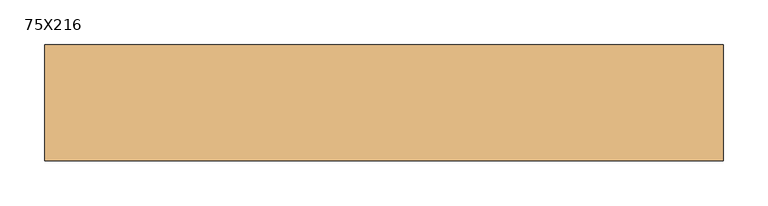
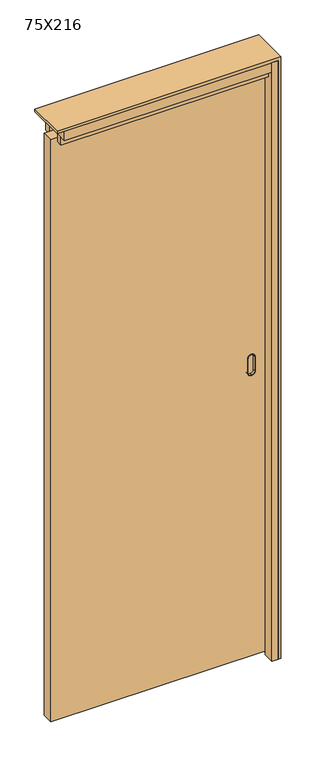
"""IFC4 building model written with IfcOpenShell, lengths in millimetres: door geometry, 75X216."""

from ifc_helpers import new_model, si_unit, point, frame, frame_2d, origin, origin_with_axes, place, context, project, spatial, polyline, circle_curve, trimmed, segment, composite_curve, outline, extrude, source, transform, mapped, element, save
from ifc_brep_helpers import plane_surface, cylinder_surface, revolved_surface, advanced_brep


def door_75x216_91143491(model_context):
    return source(origin(), model_context, "Body", "SolidModel", [
        advanced_brep(
        [(309.5, -12.0, 1090.5), (310.5, -12.0, 1090.5), (321.5, -12.0, 1079.5), (321.5, -12.0, 1028.5), (310.5, -12.0, 1017.5), (309.5, -12.0, 1017.5), (298.5, -12.0, 1028.5), (298.5, -12.0, 1079.5), (309.5, -22.0, 1016.5), (310.5, -22.0, 1016.5), (322.5, -22.0, 1028.5), (322.5, -22.0, 1079.5), (310.5, -22.0, 1091.5), (309.5, -22.0, 1091.5), (297.5, -22.0, 1079.5), (297.5, -22.0, 1028.5), (309.5, -22.0, 1089.5), (310.5, -22.0, 1089.5), (320.5, -22.0, 1079.5), (320.5, -22.0, 1028.5), (310.5, -22.0, 1018.5), (309.5, -22.0, 1018.5), (299.5, -22.0, 1028.5), (299.5, -22.0, 1079.5), (298.5, -20.0, 1079.5), (309.5, -20.0, 1090.5), (298.5, -20.0, 1028.5), (309.5, -20.0, 1017.5), (310.5, -20.0, 1017.5), (321.5, -20.0, 1028.5), (321.5, -20.0, 1079.5), (310.5, -20.0, 1090.5), (309.5, -20.0, 1016.5), (297.5, -20.0, 1028.5), (297.5, -20.0, 1079.5), (309.5, -20.0, 1091.5), (310.5, -20.0, 1091.5), (322.5, -20.0, 1079.5), (322.5, -20.0, 1028.5), (310.5, -20.0, 1016.5), (309.5, -13.0, 1089.5), (299.5, -13.0, 1079.5), (299.5, -13.0, 1028.5), (309.5, -13.0, 1018.5), (310.5, -13.0, 1018.5), (320.5, -13.0, 1028.5), (320.5, -13.0, 1079.5), (310.5, -13.0, 1089.5)],
        [
            (0, 1),
            (1, 2, circle_curve(frame((310.5, -12.0, 1079.5), z_axis=(0.0, 1.0, 0.0), x_axis=(-1.0, 0.0, 0.0)), 11.0)),
            (2, 3),
            (3, 4, circle_curve(frame((310.5, -12.0, 1028.5), z_axis=(0.0, 1.0, 0.0), x_axis=(-1.0, 0.0, 0.0)), 11.0)),
            (4, 5),
            (5, 6, circle_curve(frame((309.5, -12.0, 1028.5), z_axis=(0.0, 1.0, 0.0), x_axis=(-1.0, 0.0, 0.0)), 11.0)),
            (6, 7),
            (7, 0, circle_curve(frame((309.5, -12.0, 1079.5), z_axis=(0.0, 1.0, 0.0), x_axis=(-1.0, 0.0, 0.0)), 11.0)),
            (8, 9),
            (9, 10, circle_curve(frame((310.5, -22.0, 1028.5), z_axis=(0.0, -1.0, 0.0), x_axis=(-1.0, 0.0, 0.0)), 12.0)),
            (10, 11),
            (11, 12, circle_curve(frame((310.5, -22.0, 1079.5), z_axis=(0.0, -1.0, 0.0), x_axis=(-1.0, 0.0, 0.0)), 12.0)),
            (12, 13),
            (13, 14, circle_curve(frame((309.5, -22.0, 1079.5), z_axis=(0.0, -1.0, 0.0), x_axis=(-1.0, 0.0, 0.0)), 12.0)),
            (14, 15),
            (15, 8, circle_curve(frame((309.5, -22.0, 1028.5), z_axis=(0.0, -1.0, 0.0), x_axis=(-1.0, 0.0, 0.0)), 12.0)),
            (16, 17),
            (17, 18, circle_curve(frame((310.5, -22.0, 1079.5), z_axis=(0.0, 1.0, 0.0), x_axis=(-1.0, 0.0, 0.0)), 10.0)),
            (18, 19),
            (19, 20, circle_curve(frame((310.5, -22.0, 1028.5), z_axis=(0.0, 1.0, 0.0), x_axis=(-1.0, 0.0, 0.0)), 10.0)),
            (20, 21),
            (21, 22, circle_curve(frame((309.5, -22.0, 1028.5), z_axis=(0.0, 1.0, 0.0), x_axis=(-1.0, 0.0, 0.0)), 10.0)),
            (22, 23),
            (23, 16, circle_curve(frame((309.5, -22.0, 1079.5), z_axis=(0.0, 1.0, 0.0), x_axis=(-1.0, 0.0, 0.0)), 10.0)),
            (7, 24),
            (24, 25, circle_curve(frame((309.5, -20.0, 1079.5), z_axis=(0.0, 1.0, 0.0), x_axis=(-1.0, 0.0, 0.0)), 11.0)),
            (25, 0),
            (6, 26),
            (26, 24),
            (5, 27),
            (27, 26, circle_curve(frame((309.5, -20.0, 1028.5), z_axis=(0.0, 1.0, 0.0), x_axis=(-1.0, 0.0, 0.0)), 11.0)),
            (4, 28),
            (28, 27),
            (3, 29),
            (29, 28, circle_curve(frame((310.5, -20.0, 1028.5), z_axis=(0.0, 1.0, 0.0), x_axis=(-1.0, 0.0, 0.0)), 11.0)),
            (2, 30),
            (30, 29),
            (1, 31),
            (31, 30, circle_curve(frame((310.5, -20.0, 1079.5), z_axis=(0.0, 1.0, 0.0), x_axis=(-1.0, 0.0, 0.0)), 11.0)),
            (25, 31),
            (32, 33, circle_curve(frame((309.5, -20.0, 1028.5), z_axis=(0.0, 1.0, 0.0), x_axis=(-1.0, 0.0, 0.0)), 12.0)),
            (33, 34),
            (34, 35, circle_curve(frame((309.5, -20.0, 1079.5), z_axis=(0.0, 1.0, 0.0), x_axis=(-1.0, 0.0, 0.0)), 12.0)),
            (35, 36),
            (36, 37, circle_curve(frame((310.5, -20.0, 1079.5), z_axis=(0.0, 1.0, 0.0), x_axis=(-1.0, 0.0, 0.0)), 12.0)),
            (37, 38),
            (38, 39, circle_curve(frame((310.5, -20.0, 1028.5), z_axis=(0.0, 1.0, 0.0), x_axis=(-1.0, 0.0, 0.0)), 12.0)),
            (39, 32),
            (39, 9),
            (8, 32),
            (38, 10),
            (37, 11),
            (36, 12),
            (35, 13),
            (34, 14),
            (33, 15),
            (40, 41, circle_curve(frame((309.5, -13.0, 1079.5), z_axis=(0.0, -1.0, 0.0), x_axis=(-1.0, 0.0, 0.0)), 10.0)),
            (41, 42),
            (42, 43, circle_curve(frame((309.5, -13.0, 1028.5), z_axis=(0.0, -1.0, 0.0), x_axis=(-1.0, 0.0, 0.0)), 10.0)),
            (43, 44),
            (44, 45, circle_curve(frame((310.5, -13.0, 1028.5), z_axis=(0.0, -1.0, 0.0), x_axis=(-1.0, 0.0, 0.0)), 10.0)),
            (45, 46),
            (46, 47, circle_curve(frame((310.5, -13.0, 1079.5), z_axis=(0.0, -1.0, 0.0), x_axis=(-1.0, 0.0, 0.0)), 10.0)),
            (47, 40),
            (40, 16),
            (23, 41),
            (22, 42),
            (21, 43),
            (20, 44),
            (19, 45),
            (18, 46),
            (17, 47),
        ],
        [
            plane_surface(frame((298.5, -12.0, 1079.5), z_axis=(0.0, 1.0, 0.0), x_axis=(0.0, 0.0, -1.0))),
            plane_surface(frame((298.5, -22.0, 1079.5), z_axis=(0.0, -1.0, 0.0), x_axis=(0.0, 0.0, 1.0))),
            cylinder_surface(frame((309.5, -22.0, 1079.5), z_axis=(0.0, 1.0, 0.0), x_axis=(-1.0, 0.0, 0.0)), 11.0),
            plane_surface(frame((298.5, -12.0, 1079.5), z_axis=(-1.0, 0.0, 0.0), x_axis=(0.0, -1.0, 0.0))),
            cylinder_surface(frame((309.5, -22.0, 1028.5), z_axis=(0.0, 1.0, 0.0), x_axis=(-1.0, 0.0, 0.0)), 11.0),
            plane_surface(frame((309.5, -12.0, 1017.5), z_axis=(0.0, 0.0, -1.0), x_axis=(0.0, -1.0, 0.0))),
            cylinder_surface(frame((310.5, -22.0, 1028.5), z_axis=(0.0, 1.0, 0.0), x_axis=(-1.0, 0.0, 0.0)), 11.0),
            plane_surface(frame((321.5, -12.0, 1028.5), z_axis=(1.0, 0.0, 0.0), x_axis=(0.0, -1.0, 0.0))),
            cylinder_surface(frame((310.5, -22.0, 1079.5), z_axis=(0.0, 1.0, 0.0), x_axis=(-1.0, 0.0, 0.0)), 11.0),
            plane_surface(frame((310.5, -12.0, 1090.5), z_axis=(0.0, 0.0, 1.0), x_axis=(0.0, -1.0, 0.0))),
            plane_surface(frame((322.5, -20.0, 1016.5), z_axis=(0.0, 1.0, 0.0), x_axis=(1.0, 0.0, 0.0))),
            plane_surface(frame((309.5, -20.0, 1016.5), z_axis=(0.0, 0.0, -1.0), x_axis=(0.0, -1.0, 0.0))),
            cylinder_surface(frame((310.5, -22.0, 1028.5), z_axis=(0.0, 1.0, 0.0), x_axis=(-1.0, 0.0, 0.0)), 12.0),
            plane_surface(frame((322.5, -20.0, 1028.5), z_axis=(1.0, 0.0, 0.0), x_axis=(0.0, -1.0, 0.0))),
            cylinder_surface(frame((310.5, -22.0, 1079.5), z_axis=(0.0, 1.0, 0.0), x_axis=(-1.0, 0.0, 0.0)), 12.0),
            plane_surface(frame((310.5, -20.0, 1091.5), z_axis=(0.0, 0.0, 1.0), x_axis=(0.0, -1.0, 0.0))),
            cylinder_surface(frame((309.5, -22.0, 1079.5), z_axis=(0.0, 1.0, 0.0), x_axis=(-1.0, 0.0, 0.0)), 12.0),
            plane_surface(frame((297.5, -20.0, 1079.5), z_axis=(-1.0, 0.0, 0.0), x_axis=(0.0, -1.0, 0.0))),
            cylinder_surface(frame((309.5, -22.0, 1028.5), z_axis=(0.0, 1.0, 0.0), x_axis=(-1.0, 0.0, 0.0)), 12.0),
            plane_surface(frame((299.5, -13.0, 1079.5), z_axis=(0.0, -1.0, 0.0), x_axis=(0.0, 0.0, -1.0))),
            revolved_surface(polyline([(299.5, -13.0, 1079.5), (299.5, -22.0, 1079.5)]), (309.5, -22.0, 1079.5), (0.0, 1.0, 0.0)),
            plane_surface(frame((299.5, -13.0, 1079.5), z_axis=(1.0, 0.0, 0.0), x_axis=(0.0, -1.0, 0.0))),
            revolved_surface(polyline([(299.5, -13.0, 1028.5), (299.5, -22.0, 1028.5)]), (309.5, -22.0, 1028.5), (0.0, 1.0, 0.0)),
            plane_surface(frame((309.5, -13.0, 1018.5), z_axis=(0.0, 0.0, 1.0), x_axis=(0.0, -1.0, 0.0))),
            revolved_surface(polyline([(300.5, -13.0, 1028.5), (300.5, -22.0, 1028.5)]), (310.5, -22.0, 1028.5), (0.0, 1.0, 0.0)),
            plane_surface(frame((320.5, -13.0, 1028.5), z_axis=(-1.0, 0.0, 0.0), x_axis=(0.0, -1.0, 0.0))),
            revolved_surface(polyline([(300.5, -13.0, 1079.5), (300.5, -22.0, 1079.5)]), (310.5, -22.0, 1079.5), (0.0, 1.0, 0.0)),
            plane_surface(frame((310.5, -13.0, 1089.5), z_axis=(0.0, 0.0, -1.0), x_axis=(0.0, -1.0, 0.0))),
        ],
        [
            (0, [[1, 2, 3, 4, 5, 6, 7, 8]]),
            (1, [[9, 10, 11, 12, 13, 14, 15, 16], [17, 18, 19, 20, 21, 22, 23, 24]]),
            (2, [[25, 26, 27, -8]]),
            (3, [[28, 29, -25, -7]]),
            (4, [[30, 31, -28, -6]]),
            (5, [[32, 33, -30, -5]]),
            (6, [[34, 35, -32, -4]]),
            (7, [[36, 37, -34, -3]]),
            (8, [[38, 39, -36, -2]]),
            (9, [[-27, 40, -38, -1]]),
            (10, [[41, 42, 43, 44, 45, 46, 47, 48], [-29, -31, -33, -35, -37, -39, -40, -26]]),
            (11, [[49, -9, 50, -48]]),
            (12, [[51, -10, -49, -47]]),
            (13, [[52, -11, -51, -46]]),
            (14, [[53, -12, -52, -45]]),
            (15, [[54, -13, -53, -44]]),
            (16, [[55, -14, -54, -43]]),
            (17, [[56, -15, -55, -42]]),
            (18, [[-50, -16, -56, -41]]),
            (19, [[57, 58, 59, 60, 61, 62, 63, 64]]),
            (20, [[65, -24, 66, -57]]),
            (21, [[-66, -23, 67, -58]]),
            (22, [[-67, -22, 68, -59]]),
            (23, [[-68, -21, 69, -60]]),
            (24, [[-69, -20, 70, -61]]),
            (25, [[-70, -19, 71, -62]]),
            (26, [[-71, -18, 72, -63]]),
            (27, [[-72, -17, -65, -64]]),
        ],
    ),
        advanced_brep(
        [(309.5, 12.0, 1090.5), (298.5, 12.0, 1079.5), (298.5, 12.0, 1028.5), (309.5, 12.0, 1017.5), (310.5, 12.0, 1017.5), (321.5, 12.0, 1028.5), (321.5, 12.0, 1079.5), (310.5, 12.0, 1090.5), (309.5, 22.0, 1016.5), (297.5, 22.0, 1028.5), (297.5, 22.0, 1079.5), (309.5, 22.0, 1091.5), (310.5, 22.0, 1091.5), (322.5, 22.0, 1079.5), (322.5, 22.0, 1028.5), (310.5, 22.0, 1016.5), (309.5, 22.0, 1089.5), (299.5, 22.0, 1079.5), (299.5, 22.0, 1028.5), (309.5, 22.0, 1018.5), (310.5, 22.0, 1018.5), (320.5, 22.0, 1028.5), (320.5, 22.0, 1079.5), (310.5, 22.0, 1089.5), (309.5, 20.0, 1090.5), (298.5, 20.0, 1079.5), (298.5, 20.0, 1028.5), (309.5, 20.0, 1017.5), (310.5, 20.0, 1017.5), (321.5, 20.0, 1028.5), (321.5, 20.0, 1079.5), (310.5, 20.0, 1090.5), (309.5, 20.0, 1016.5), (310.5, 20.0, 1016.5), (322.5, 20.0, 1028.5), (322.5, 20.0, 1079.5), (310.5, 20.0, 1091.5), (309.5, 20.0, 1091.5), (297.5, 20.0, 1079.5), (297.5, 20.0, 1028.5), (309.5, 13.0, 1089.5), (310.5, 13.0, 1089.5), (320.5, 13.0, 1079.5), (320.5, 13.0, 1028.5), (310.5, 13.0, 1018.5), (309.5, 13.0, 1018.5), (299.5, 13.0, 1028.5), (299.5, 13.0, 1079.5)],
        [
            (0, 1, circle_curve(frame((309.5, 12.0, 1079.5), z_axis=(0.0, -1.0, 0.0), x_axis=(-1.0, 0.0, 0.0)), 11.0)),
            (1, 2),
            (2, 3, circle_curve(frame((309.5, 12.0, 1028.5), z_axis=(0.0, -1.0, 0.0), x_axis=(-1.0, 0.0, 0.0)), 11.0)),
            (3, 4),
            (4, 5, circle_curve(frame((310.5, 12.0, 1028.5), z_axis=(0.0, -1.0, 0.0), x_axis=(-1.0, 0.0, 0.0)), 11.0)),
            (5, 6),
            (6, 7, circle_curve(frame((310.5, 12.0, 1079.5), z_axis=(0.0, -1.0, 0.0), x_axis=(-1.0, 0.0, 0.0)), 11.0)),
            (7, 0),
            (8, 9, circle_curve(frame((309.5, 22.0, 1028.5), z_axis=(0.0, 1.0, 0.0), x_axis=(-1.0, 0.0, 0.0)), 12.0)),
            (9, 10),
            (10, 11, circle_curve(frame((309.5, 22.0, 1079.5), z_axis=(0.0, 1.0, 0.0), x_axis=(-1.0, 0.0, 0.0)), 12.0)),
            (11, 12),
            (12, 13, circle_curve(frame((310.5, 22.0, 1079.5), z_axis=(0.0, 1.0, 0.0), x_axis=(-1.0, 0.0, 0.0)), 12.0)),
            (13, 14),
            (14, 15, circle_curve(frame((310.5, 22.0, 1028.5), z_axis=(0.0, 1.0, 0.0), x_axis=(-1.0, 0.0, 0.0)), 12.0)),
            (15, 8),
            (16, 17, circle_curve(frame((309.5, 22.0, 1079.5), z_axis=(0.0, -1.0, 0.0), x_axis=(-1.0, 0.0, 0.0)), 10.0)),
            (17, 18),
            (18, 19, circle_curve(frame((309.5, 22.0, 1028.5), z_axis=(0.0, -1.0, 0.0), x_axis=(-1.0, 0.0, 0.0)), 10.0)),
            (19, 20),
            (20, 21, circle_curve(frame((310.5, 22.0, 1028.5), z_axis=(0.0, -1.0, 0.0), x_axis=(-1.0, 0.0, 0.0)), 10.0)),
            (21, 22),
            (22, 23, circle_curve(frame((310.5, 22.0, 1079.5), z_axis=(0.0, -1.0, 0.0), x_axis=(-1.0, 0.0, 0.0)), 10.0)),
            (23, 16),
            (0, 24),
            (24, 25, circle_curve(frame((309.5, 20.0, 1079.5), z_axis=(0.0, -1.0, 0.0), x_axis=(-1.0, 0.0, 0.0)), 11.0)),
            (25, 1),
            (25, 26),
            (26, 2),
            (26, 27, circle_curve(frame((309.5, 20.0, 1028.5), z_axis=(0.0, -1.0, 0.0), x_axis=(-1.0, 0.0, 0.0)), 11.0)),
            (27, 3),
            (27, 28),
            (28, 4),
            (28, 29, circle_curve(frame((310.5, 20.0, 1028.5), z_axis=(0.0, -1.0, 0.0), x_axis=(-1.0, 0.0, 0.0)), 11.0)),
            (29, 5),
            (29, 30),
            (30, 6),
            (30, 31, circle_curve(frame((310.5, 20.0, 1079.5), z_axis=(0.0, -1.0, 0.0), x_axis=(-1.0, 0.0, 0.0)), 11.0)),
            (31, 7),
            (31, 24),
            (32, 33),
            (33, 34, circle_curve(frame((310.5, 20.0, 1028.5), z_axis=(0.0, -1.0, 0.0), x_axis=(-1.0, 0.0, 0.0)), 12.0)),
            (34, 35),
            (35, 36, circle_curve(frame((310.5, 20.0, 1079.5), z_axis=(0.0, -1.0, 0.0), x_axis=(-1.0, 0.0, 0.0)), 12.0)),
            (36, 37),
            (37, 38, circle_curve(frame((309.5, 20.0, 1079.5), z_axis=(0.0, -1.0, 0.0), x_axis=(-1.0, 0.0, 0.0)), 12.0)),
            (38, 39),
            (39, 32, circle_curve(frame((309.5, 20.0, 1028.5), z_axis=(0.0, -1.0, 0.0), x_axis=(-1.0, 0.0, 0.0)), 12.0)),
            (32, 8),
            (15, 33),
            (14, 34),
            (13, 35),
            (12, 36),
            (11, 37),
            (10, 38),
            (9, 39),
            (40, 41),
            (41, 42, circle_curve(frame((310.5, 13.0, 1079.5), z_axis=(0.0, 1.0, 0.0), x_axis=(-1.0, 0.0, 0.0)), 10.0)),
            (42, 43),
            (43, 44, circle_curve(frame((310.5, 13.0, 1028.5), z_axis=(0.0, 1.0, 0.0), x_axis=(-1.0, 0.0, 0.0)), 10.0)),
            (44, 45),
            (45, 46, circle_curve(frame((309.5, 13.0, 1028.5), z_axis=(0.0, 1.0, 0.0), x_axis=(-1.0, 0.0, 0.0)), 10.0)),
            (46, 47),
            (47, 40, circle_curve(frame((309.5, 13.0, 1079.5), z_axis=(0.0, 1.0, 0.0), x_axis=(-1.0, 0.0, 0.0)), 10.0)),
            (47, 17),
            (16, 40),
            (46, 18),
            (45, 19),
            (44, 20),
            (43, 21),
            (42, 22),
            (41, 23),
        ],
        [
            plane_surface(frame((298.5, 12.0, 1079.5), z_axis=(0.0, -1.0, 0.0), x_axis=(0.0, 0.0, -1.0))),
            plane_surface(frame((298.5, 22.0, 1079.5), z_axis=(0.0, 1.0, 0.0), x_axis=(0.0, 0.0, 1.0))),
            cylinder_surface(frame((309.5, 22.0, 1079.5), z_axis=(0.0, -1.0, 0.0), x_axis=(-1.0, 0.0, 0.0)), 11.0),
            plane_surface(frame((298.5, 12.0, 1079.5), z_axis=(-1.0, 0.0, 0.0), x_axis=(0.0, 1.0, 0.0))),
            cylinder_surface(frame((309.5, 22.0, 1028.5), z_axis=(0.0, -1.0, 0.0), x_axis=(-1.0, 0.0, 0.0)), 11.0),
            plane_surface(frame((309.5, 12.0, 1017.5), z_axis=(0.0, 0.0, -1.0), x_axis=(0.0, 1.0, 0.0))),
            cylinder_surface(frame((310.5, 22.0, 1028.5), z_axis=(0.0, -1.0, 0.0), x_axis=(-1.0, 0.0, 0.0)), 11.0),
            plane_surface(frame((321.5, 12.0, 1028.5), z_axis=(1.0, 0.0, 0.0), x_axis=(0.0, 1.0, 0.0))),
            cylinder_surface(frame((310.5, 22.0, 1079.5), z_axis=(0.0, -1.0, 0.0), x_axis=(-1.0, 0.0, 0.0)), 11.0),
            plane_surface(frame((310.5, 12.0, 1090.5), z_axis=(0.0, 0.0, 1.0), x_axis=(0.0, 1.0, 0.0))),
            plane_surface(frame((322.5, 20.0, 1016.5), z_axis=(0.0, -1.0, 0.0), x_axis=(1.0, 0.0, 0.0))),
            plane_surface(frame((309.5, 20.0, 1016.5), z_axis=(0.0, 0.0, -1.0), x_axis=(0.0, 1.0, 0.0))),
            cylinder_surface(frame((310.5, 22.0, 1028.5), z_axis=(0.0, -1.0, 0.0), x_axis=(-1.0, 0.0, 0.0)), 12.0),
            plane_surface(frame((322.5, 20.0, 1028.5), z_axis=(1.0, 0.0, 0.0), x_axis=(0.0, 1.0, 0.0))),
            cylinder_surface(frame((310.5, 22.0, 1079.5), z_axis=(0.0, -1.0, 0.0), x_axis=(-1.0, 0.0, 0.0)), 12.0),
            plane_surface(frame((310.5, 20.0, 1091.5), z_axis=(0.0, 0.0, 1.0), x_axis=(0.0, 1.0, 0.0))),
            cylinder_surface(frame((309.5, 22.0, 1079.5), z_axis=(0.0, -1.0, 0.0), x_axis=(-1.0, 0.0, 0.0)), 12.0),
            plane_surface(frame((297.5, 20.0, 1079.5), z_axis=(-1.0, 0.0, 0.0), x_axis=(0.0, 1.0, 0.0))),
            cylinder_surface(frame((309.5, 22.0, 1028.5), z_axis=(0.0, -1.0, 0.0), x_axis=(-1.0, 0.0, 0.0)), 12.0),
            plane_surface(frame((299.5, 13.0, 1079.5), z_axis=(0.0, 1.0, 0.0), x_axis=(0.0, 0.0, -1.0))),
            revolved_surface(polyline([(299.5, 13.0, 1079.5), (299.5, 22.0, 1079.5)]), (309.5, 22.0, 1079.5), (0.0, -1.0, 0.0)),
            plane_surface(frame((299.5, 13.0, 1079.5), z_axis=(1.0, 0.0, 0.0), x_axis=(0.0, 1.0, 0.0))),
            revolved_surface(polyline([(299.5, 13.0, 1028.5), (299.5, 22.0, 1028.5)]), (309.5, 22.0, 1028.5), (0.0, -1.0, 0.0)),
            plane_surface(frame((309.5, 13.0, 1018.5), z_axis=(0.0, 0.0, 1.0), x_axis=(0.0, 1.0, 0.0))),
            revolved_surface(polyline([(300.5, 13.0, 1028.5), (300.5, 22.0, 1028.5)]), (310.5, 22.0, 1028.5), (0.0, -1.0, 0.0)),
            plane_surface(frame((320.5, 13.0, 1028.5), z_axis=(-1.0, 0.0, 0.0), x_axis=(0.0, 1.0, 0.0))),
            revolved_surface(polyline([(300.5, 13.0, 1079.5), (300.5, 22.0, 1079.5)]), (310.5, 22.0, 1079.5), (0.0, -1.0, 0.0)),
            plane_surface(frame((310.5, 13.0, 1089.5), z_axis=(0.0, 0.0, -1.0), x_axis=(0.0, 1.0, 0.0))),
        ],
        [
            (0, [[1, 2, 3, 4, 5, 6, 7, 8]]),
            (1, [[9, 10, 11, 12, 13, 14, 15, 16], [17, 18, 19, 20, 21, 22, 23, 24]]),
            (2, [[-1, 25, 26, 27]]),
            (3, [[-2, -27, 28, 29]]),
            (4, [[-3, -29, 30, 31]]),
            (5, [[-4, -31, 32, 33]]),
            (6, [[-5, -33, 34, 35]]),
            (7, [[-6, -35, 36, 37]]),
            (8, [[-7, -37, 38, 39]]),
            (9, [[-8, -39, 40, -25]]),
            (10, [[41, 42, 43, 44, 45, 46, 47, 48], [-26, -40, -38, -36, -34, -32, -30, -28]]),
            (11, [[-41, 49, -16, 50]]),
            (12, [[-42, -50, -15, 51]]),
            (13, [[-43, -51, -14, 52]]),
            (14, [[-44, -52, -13, 53]]),
            (15, [[-45, -53, -12, 54]]),
            (16, [[-46, -54, -11, 55]]),
            (17, [[-47, -55, -10, 56]]),
            (18, [[-48, -56, -9, -49]]),
            (19, [[57, 58, 59, 60, 61, 62, 63, 64]]),
            (20, [[-64, 65, -17, 66]]),
            (21, [[-63, 67, -18, -65]]),
            (22, [[-62, 68, -19, -67]]),
            (23, [[-61, 69, -20, -68]]),
            (24, [[-60, 70, -21, -69]]),
            (25, [[-59, 71, -22, -70]]),
            (26, [[-58, 72, -23, -71]]),
            (27, [[-57, -66, -24, -72]]),
        ],
    ),
        extrude(outline(polyline([(2099.0, -370.0), (9.0, -370.0), (9.0, 360.0), (2099.0, 360.0), (2099.0, -370.0)]), holes=[composite_curve([segment(trimmed(circle_curve(frame_2d((1080.0, 309.0)), 10.0), [point((1080.0, 299.0))], [point((1090.0, 309.0))], True, "CARTESIAN"), True, "CONTINUOUS"), segment(polyline([(1090.0, 309.0), (1090.0, 311.0)]), True, "CONTINUOUS"), segment(trimmed(circle_curve(frame_2d((1080.0, 311.0)), 10.0), [point((1090.0, 311.0))], [point((1080.0, 321.0))], True, "CARTESIAN"), True, "CONTINUOUS"), segment(polyline([(1080.0, 321.0), (1028.0, 321.0)]), True, "CONTINUOUS"), segment(trimmed(circle_curve(frame_2d((1028.0, 311.0)), 10.0), [point((1028.0, 321.0))], [point((1018.0, 311.0))], True, "CARTESIAN"), True, "CONTINUOUS"), segment(polyline([(1018.0, 311.0), (1018.0, 309.0)]), True, "CONTINUOUS"), segment(trimmed(circle_curve(frame_2d((1028.0, 309.0)), 10.0), [point((1018.0, 309.0))], [point((1028.0, 299.0))], True, "CARTESIAN"), True, "CONTINUOUS"), segment(polyline([(1028.0, 299.0), (1080.0, 299.0)]), True, "CONTINUOUS")], self_intersect=False)]), frame((0.0, -20.0, 0.0), z_axis=(0.0, 1.0, 0.0), x_axis=(0.0, 0.0, 1.0)), (0.0, 0.0, 1.0), 40.0),
        extrude(outline(polyline([(375.0, -65.0), (354.0, -65.0), (354.0, -25.0), (360.0, -25.0), (360.0, 25.0), (354.0, 25.0), (354.0, 65.0), (375.0, 65.0), (375.0, -65.0)])), origin_with_axes(), (0.0, 0.0, 1.0), 2150.0),
        extrude(outline(polyline([(2160.0, -375.0), (2150.0, -375.0), (2150.0, 375.0), (0.0, 375.0), (0.0, 385.0), (2160.0, 385.0), (2160.0, -375.0)])), frame((0.0, -65.0, 0.0), z_axis=(0.0, 1.0, 0.0), x_axis=(0.0, 0.0, 1.0)), (0.0, 0.0, 1.0), 130.0),
        extrude(outline(polyline([(354.0, -25.0), (354.0, -45.0), (-350.0, -45.0), (-350.0, -25.0), (354.0, -25.0)])), frame((0.0, 0.0, 2088.0), z_axis=(0.0, 0.0, 1.0), x_axis=(1.0, 0.0, 0.0)), (0.0, 0.0, 1.0), 28.0),
        extrude(outline(polyline([(354.0, 45.0), (354.0, 25.0), (-350.0, 25.0), (-350.0, 45.0), (354.0, 45.0)])), frame((0.0, 0.0, 2088.0), z_axis=(0.0, 0.0, 1.0), x_axis=(1.0, 0.0, 0.0)), (0.0, 0.0, 1.0), 28.0),
        extrude(outline(polyline([(354.0, -16.0), (354.0, -65.0), (-350.0, -65.0), (-350.0, -16.0), (354.0, -16.0)])), frame((0.0, 0.0, 2116.0), z_axis=(0.0, 0.0, 1.0), x_axis=(1.0, 0.0, 0.0)), (0.0, 0.0, 1.0), 34.0),
        extrude(outline(polyline([(354.0, 65.0), (354.0, 16.0), (-350.0, 16.0), (-350.0, 65.0), (354.0, 65.0)])), frame((0.0, 0.0, 2116.0), z_axis=(0.0, 0.0, 1.0), x_axis=(1.0, 0.0, 0.0)), (0.0, 0.0, 1.0), 34.0),
    ])


if __name__ == "__main__":
    model = new_model("IFC4")
    model_context = context("Model", 3, world=origin())
    ifc_project = project(units=[si_unit("LENGTHUNIT", "METRE", prefix="MILLI")], contexts=[model_context])
    site = spatial("IfcSite", under=ifc_project)
    building = spatial("IfcBuilding", under=site)
    placement = place(None, origin())
    door_75x216_shape = door_75x216_91143491(model_context)
    element("IfcDoor", 1, ObjectType="75X216", at=placement, inside=building, context=model_context, shape_type="MappedRepresentation", body=[
        mapped(door_75x216_shape, transform((0.0, 0.0, 0.0), x_axis=(1.0, 0.0, 0.0), y_axis=(0.0, 1.0, 0.0), z_axis=(0.0, 0.0, 1.0))),
    ])
    save(model, "model.ifc")
